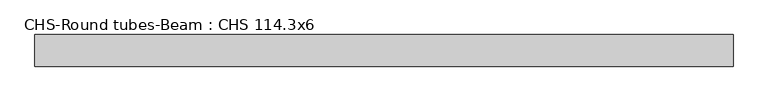
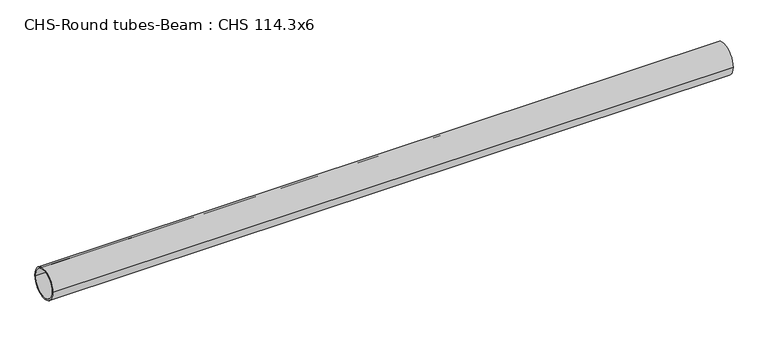
"""IFC4 building model written with IfcOpenShell, lengths in millimetres: beam geometry, CHS-Round tubes-Beam : CHS 114.3x6."""

from ifc_helpers import new_model, si_unit, point, frame, origin, origin_2d, place, context, project, spatial, circle_curve, trimmed, segment, composite_curve, outline, extrude, source, transform, mapped, element, save


def chs_round_tubes_beam_chs_114_3x6_4a40c283(model_context):
    return source(origin(), model_context, "Body", "SweptSolid", [
        extrude(outline(composite_curve([segment(trimmed(circle_curve(origin_2d(), 57.15), [point((57.15, 0.0))], [point((-57.15, 0.0))], False, "CARTESIAN"), True, "CONTINUOUS"), segment(trimmed(circle_curve(origin_2d(), 57.15), [point((-57.15, 0.0))], [point((57.15, 0.0))], False, "CARTESIAN"), True, "CONTINUOUS")], self_intersect=False), holes=[composite_curve([segment(trimmed(circle_curve(origin_2d(), 51.15), [point((51.15, 0.0))], [point((-51.15, 0.0))], True, "CARTESIAN"), True, "CONTINUOUS"), segment(trimmed(circle_curve(origin_2d(), 51.15), [point((-51.15, 0.0))], [point((51.15, 0.0))], True, "CARTESIAN"), True, "CONTINUOUS")], self_intersect=False)]), frame((-1260.7573595, 0.0, 0.0), z_axis=(1.0, 0.0, 0.0), x_axis=(0.0, 1.0, 0.0)), (0.0, 0.0, 1.0), 2521.20175),
    ])


if __name__ == "__main__":
    model = new_model("IFC4")
    model_context = context("Model", 3, world=origin())
    ifc_project = project(units=[si_unit("LENGTHUNIT", "METRE", prefix="MILLI")], contexts=[model_context])
    site = spatial("IfcSite", under=ifc_project)
    building = spatial("IfcBuilding", under=site)
    placement = place(None, origin())
    chs_round_tubes_beam_chs_114_3x6_shape = chs_round_tubes_beam_chs_114_3x6_4a40c283(model_context)
    element("IfcBeam", 1, ObjectType="CHS-Round tubes-Beam : CHS 114.3x6", at=placement, inside=building, context=model_context, shape_type="MappedRepresentation", body=[
        mapped(chs_round_tubes_beam_chs_114_3x6_shape, transform((0.0, 0.0, 0.0), x_axis=(1.0, 0.0, 0.0), y_axis=(0.0, 1.0, 0.0), z_axis=(0.0, 0.0, 1.0))),
    ])
    save(model, "model.ifc")
